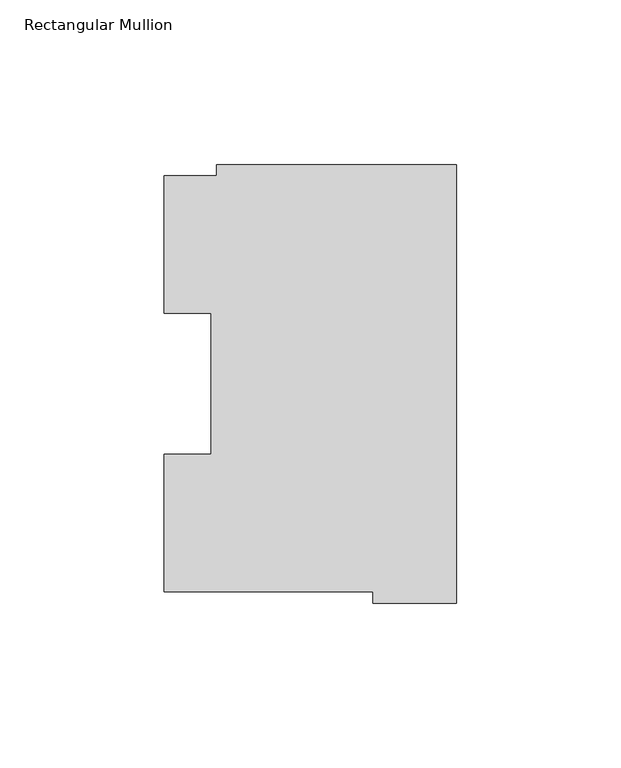
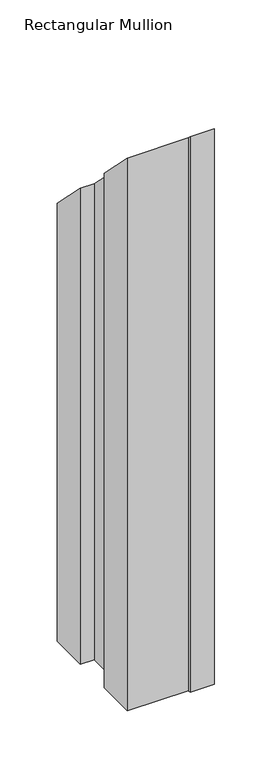
"""IFC4 building model written with IfcOpenShell, lengths in millimetres: member geometry, Rectangular Mullion."""

from ifc_helpers import new_model, si_unit, origin, place, context, project, spatial, faceted_brep, source, transform, mapped, element, save


def rectangular_mullion_965bb503(model_context):
    return source(origin(), model_context, "Body", "Brep", [
        faceted_brep([(-88.8772701, 126.75235, -609.6), (-73.025, 126.75235, -609.6), (-73.025, 130.1706837, -609.6), (0.0, 130.1706837, -609.6), (0.0, -3.193538, -609.6), (-25.3772701, -3.193538, -609.6), (-25.3772701, 0.26035, -609.6), (-88.8772701, 0.26035, -609.6), (-88.8772701, 42.0334858, -609.6), (-74.5947228, 42.0334858, -609.6), (-74.5947228, 84.93125, -609.6), (-88.8772701, 84.93125, -609.6), (-88.8772701, 84.93125, -84.93125), (-88.8772701, 126.75235, -126.75235), (-74.5947228, 84.93125, -84.93125), (-74.5947228, 42.0334858, -42.0334858), (-88.8772701, 42.0334858, -42.0334858), (-88.8772701, 0.26035, -0.26035), (-25.3772701, 0.26035, -0.26035), (-25.3772701, -3.193538, 3.193538), (0.0, -3.193538, 3.193538), (0.0, 130.1706837, -130.1706837), (-73.025, 126.75235, -126.75235), (-73.025, 130.1706837, -130.1706837)], [[[0, 1, 2, 3, 4, 5, 6, 7, 8, 9, 10, 11]], [[12, 13, 0, 11]], [[14, 12, 11, 10]], [[15, 14, 10, 9]], [[16, 15, 9, 8]], [[17, 16, 8, 7]], [[18, 17, 7, 6]], [[19, 18, 6, 5]], [[20, 19, 5, 4]], [[21, 20, 4, 3]], [[13, 22, 1, 0]], [[13, 12, 14, 15, 16, 17, 18, 19, 20, 21, 23, 22]], [[23, 21, 3, 2]], [[22, 23, 2, 1]]]),
    ])


if __name__ == "__main__":
    model = new_model("IFC4")
    model_context = context("Model", 3, world=origin())
    ifc_project = project(units=[si_unit("LENGTHUNIT", "METRE", prefix="MILLI")], contexts=[model_context])
    site = spatial("IfcSite", under=ifc_project)
    building = spatial("IfcBuilding", under=site)
    placement = place(None, origin())
    rectangular_mullion_shape = rectangular_mullion_965bb503(model_context)
    element("IfcMember", 1, ObjectType="Rectangular Mullion", at=placement, inside=building, context=model_context, shape_type="MappedRepresentation", body=[
        mapped(rectangular_mullion_shape, transform((0.0, 0.0, 0.0), x_axis=(1.0, 0.0, 0.0), y_axis=(0.0, 1.0, 0.0), z_axis=(0.0, 0.0, 1.0))),
    ])
    save(model, "model.ifc")
